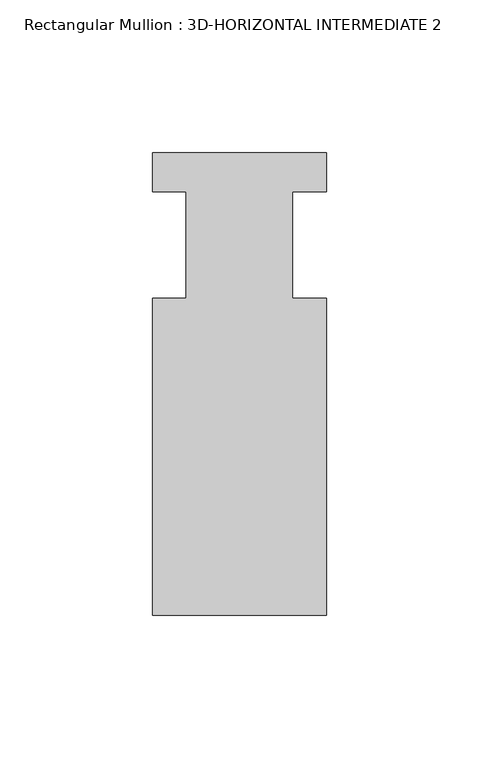
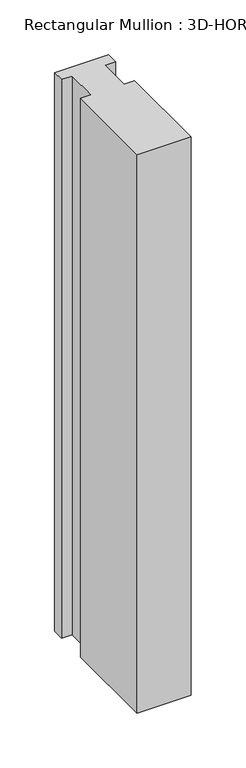
"""IFC4 building model written with IfcOpenShell, lengths in millimetres: member geometry, Rectangular Mullion : 3D-HORIZONTAL INTERMEDIATE 2."""

import ifcopenshell
import ifcopenshell.guid

model = None  # the IFC model being written
_history = None  # IfcOwnerHistory: only IFC2X3 demands one
_inside = {}  # id of a spatial element -> (the spatial element, [elements in it])
_under = {}  # id of a project, library or spatial element -> (it, [spatial elements below it])
_declared = {}  # id of a project -> (the project, [libraries it declares])
_typed = {}  # id of a type object -> (the type object, [elements of that type])
_made_of = {}  # id of a material, layer set ... -> (it, [elements and type objects made of it])


def new_model(schema):
    """Start an empty IFC model of exactly this schema.

    Asked for "IFC4X3", IfcOpenShell would pick the latest addendum, in which some entities
    have other attributes; the version numbers below select the first issue.
    IFC2X3 requires an IfcOwnerHistory on every rooted entity: one is made here for all.
    """
    global model, _history
    if schema == "IFC4X3":
        model = ifcopenshell.file(schema_version=(4, 3, 0, 0))
    else:
        model = ifcopenshell.file(schema=schema)
    _inside.clear()
    _under.clear()
    _declared.clear()
    _typed.clear()
    _made_of.clear()
    _history = None
    if model.schema == "IFC2X3":
        org = make("IfcOrganization", Name="unknown")
        user = make(
            "IfcPersonAndOrganization",
            ThePerson=make("IfcPerson", FamilyName="unknown"),
            TheOrganization=org,
        )
        app = make(
            "IfcApplication",
            ApplicationDeveloper=org,
            Version="unknown",
            ApplicationFullName="unknown",
            ApplicationIdentifier="unknown",
        )
        _history = make(
            "IfcOwnerHistory",
            OwningUser=user,
            OwningApplication=app,
            ChangeAction="ADDED",
            CreationDate=0,
        )
    return model


def make(cls, **values):
    """One entity of the class cls with the attributes given. An attribute that is None is left unset."""
    return model.create_entity(
        cls, **{name: value for name, value in values.items() if value is not None}
    )


def rooted(cls, **values):
    """An entity with a GlobalId (a new one), such as an element, a storey or a relation."""
    return make(cls, GlobalId=ifcopenshell.guid.new(), OwnerHistory=_history, **values)


def si_unit(unit_type, name, prefix=None):
    """IfcSIUnit, for example si_unit("LENGTHUNIT", "METRE", prefix="MILLI")."""
    return make("IfcSIUnit", UnitType=unit_type, Prefix=prefix, Name=name)


def assignment(units):
    """IfcUnitAssignment: the units of a project."""
    return None if units is None else make("IfcUnitAssignment", Units=units)


def point(xyz):
    """IfcCartesianPoint."""
    return None if xyz is None else make("IfcCartesianPoint", Coordinates=xyz)


def direction(xyz):
    """IfcDirection."""
    return None if xyz is None else make("IfcDirection", DirectionRatios=xyz)


def frame(location, z_axis=None, x_axis=None):
    """IfcAxis2Placement3D, a coordinate frame: its origin and axes. An axis left out is left unset."""
    return make(
        "IfcAxis2Placement3D",
        Location=point(location),
        Axis=direction(z_axis),
        RefDirection=direction(x_axis),
    )


def origin():
    """The frame at (0, 0, 0) with its axes left unset."""
    return frame((0.0, 0.0, 0.0))


def place(relative_to, where):
    """IfcLocalPlacement: puts the frame where relative to a parent placement (None: the world)."""
    return make(
        "IfcLocalPlacement", PlacementRelTo=relative_to, RelativePlacement=where
    )


def context(
    kind, dimensions, precision=None, world=None, true_north=None, identifier=None
):
    """IfcGeometricRepresentationContext, for example the 3D "Model" context."""
    return make(
        "IfcGeometricRepresentationContext",
        ContextIdentifier=identifier,
        ContextType=kind,
        CoordinateSpaceDimension=dimensions,
        Precision=precision,
        WorldCoordinateSystem=world,
        TrueNorth=true_north,
    )


def project(units=None, contexts=None):
    """IfcProject with its units and contexts."""
    return rooted(
        "IfcProject",
        Name="project",
        RepresentationContexts=contexts,
        UnitsInContext=assignment(units),
    )


def spatial(cls, under=None, at=None, **own):
    """A site, building, storey or space (cls), placed at a placement, below another one or the project."""
    s = rooted(cls, ObjectPlacement=at, **own)
    if under is not None:
        _under.setdefault(under.id(), (under, []))[1].append(s)
    return s


def polyline(points):
    """IfcPolyline through the points."""
    return make("IfcPolyline", Points=[point(p) for p in points])


def outline(outer, holes=None, kind="AREA"):
    """IfcArbitraryClosedProfileDef: a profile drawn as a closed curve; with holes, ...WithVoids."""
    if holes is None:
        return make("IfcArbitraryClosedProfileDef", ProfileType=kind, OuterCurve=outer)
    return make(
        "IfcArbitraryProfileDefWithVoids",
        ProfileType=kind,
        OuterCurve=outer,
        InnerCurves=holes,
    )


def extrude(swept, where, along, depth):
    """IfcExtrudedAreaSolid: the profile swept, set in the frame where, extruded along a direction by depth."""
    return make(
        "IfcExtrudedAreaSolid",
        SweptArea=swept,
        Position=where,
        ExtrudedDirection=direction(along),
        Depth=depth,
    )


def shape(context_of_items, identifier, shape_type, items):
    """IfcShapeRepresentation: the items that make up one representation, for example the "Body"."""
    return make(
        "IfcShapeRepresentation",
        ContextOfItems=context_of_items,
        RepresentationIdentifier=identifier,
        RepresentationType=shape_type,
        Items=items,
    )


def source(mapping_origin, context_of_items, identifier, shape_type, items):
    """IfcRepresentationMap: a shape defined once, which mapped items show again and again."""
    return make(
        "IfcRepresentationMap",
        MappingOrigin=mapping_origin,
        MappedRepresentation=shape(context_of_items, identifier, shape_type, items),
    )


def transform(
    local_origin,
    x_axis=None,
    y_axis=None,
    z_axis=None,
    scale=None,
    scale2=None,
    scale3=None,
    uniform=True,
):
    """IfcCartesianTransformationOperator3D, or its non-uniform kind. x_axis, y_axis, z_axis: its Axis1, 2, 3."""
    if uniform:
        return make(
            "IfcCartesianTransformationOperator3D",
            Axis1=direction(x_axis),
            Axis2=direction(y_axis),
            LocalOrigin=point(local_origin),
            Scale=scale,
            Axis3=direction(z_axis),
        )
    return make(
        "IfcCartesianTransformationOperator3DnonUniform",
        Axis1=direction(x_axis),
        Axis2=direction(y_axis),
        LocalOrigin=point(local_origin),
        Scale=scale,
        Axis3=direction(z_axis),
        Scale2=scale2,
        Scale3=scale3,
    )


def mapped(mapping_source, mapping_target):
    """IfcMappedItem: shows the shape of a source again, moved by a transform."""
    return make(
        "IfcMappedItem", MappingSource=mapping_source, MappingTarget=mapping_target
    )


def made_of(thing, what):
    """Note that an element or type object is made of a material, layer set ...; save() writes the relation."""
    if what is not None:
        _made_of.setdefault(what.id(), (what, []))[1].append(thing)
    return thing


def element(
    cls,
    number,
    at=None,
    inside=None,
    cuts=None,
    type_object=None,
    material=None,
    context=None,
    identifier="Body",
    shape_type=None,
    held_by="IfcProductDefinitionShape",
    body=None,
    shapes=None,
    **own,
):
    """One element of the class cls, such as IfcWall. Its Tag is "e" and its number.

    at: its placement. inside: the storey or other place that contains it. cuts: it is an
    opening in that element (IfcRelVoidsElement). A single representation is given by context,
    identifier, shape_type and body (its items); several are given by shapes. held_by: the class
    of the entity that holds the representations. save() writes the other relations.
    """
    e = rooted(cls, Tag="e%d" % number, ObjectPlacement=at, **own)
    if body is not None:
        shapes = [shape(context, identifier, shape_type, body)]
    if shapes is not None:
        e.Representation = make(held_by, Representations=shapes)
    if inside is not None:
        _inside.setdefault(inside.id(), (inside, []))[1].append(e)
    if cuts is not None:
        rooted(
            "IfcRelVoidsElement", RelatingBuildingElement=cuts, RelatedOpeningElement=e
        )
    if type_object is not None:
        _typed.setdefault(type_object.id(), (type_object, []))[1].append(e)
    return made_of(e, material)


def aggregate(whole, parts):
    """IfcRelAggregates: a whole, such as a stair, and the parts it consists of."""
    return rooted("IfcRelAggregates", RelatingObject=whole, RelatedObjects=parts)


def save(model, path):
    """Write the relations noted so far, then the file.

    IfcRelAggregates (storeys below a building ...), IfcRelContainedInSpatialStructure (elements
    in a storey), IfcRelDefinesByType, IfcRelAssociatesMaterial and IfcRelDeclares: one each for
    every whole, place, type object, material and project.
    """
    for whole, parts in _under.values():
        aggregate(whole, parts)
    for where, things in _inside.values():
        rooted(
            "IfcRelContainedInSpatialStructure",
            RelatedElements=things,
            RelatingStructure=where,
        )
    for kind, things in _typed.values():
        rooted("IfcRelDefinesByType", RelatedObjects=things, RelatingType=kind)
    for what, things in _made_of.values():
        rooted("IfcRelAssociatesMaterial", RelatedObjects=things, RelatingMaterial=what)
    for by, libraries in _declared.values():
        rooted("IfcRelDeclares", RelatingContext=by, RelatedDefinitions=libraries)
    model.write(path)


def rectangular_mullion_3d_horizontal_intermediate_2_e48f66bf(model_context):
    return source(origin(), model_context, "Body", "SweptSolid", [
        extrude(outline(polyline([(28.575, 75.8444), (28.575, 62.9771117), (17.4625, 62.9771117), (17.4625, 28.0162), (28.575, 28.0162), (28.575, -75.8444), (-28.575, -75.8444), (-28.575, 28.0162), (-17.4625, 28.0162), (-17.4625, 62.9771117), (-28.575, 62.9771117), (-28.575, 75.8444), (28.575, 75.8444)])), frame((0.0, 0.0, -624.3595982), z_axis=(0.0, 0.0, 1.0), x_axis=(1.0, 0.0, 0.0)), (0.0, 0.0, 1.0), 624.3595982),
    ])


if __name__ == "__main__":
    model = new_model("IFC4")
    model_context = context("Model", 3, world=origin())
    ifc_project = project(units=[si_unit("LENGTHUNIT", "METRE", prefix="MILLI")], contexts=[model_context])
    site = spatial("IfcSite", under=ifc_project)
    building = spatial("IfcBuilding", under=site)
    placement = place(None, origin())
    rectangular_mullion_3d_horizontal_intermediate_2_shape = rectangular_mullion_3d_horizontal_intermediate_2_e48f66bf(model_context)
    element("IfcMember", 1, ObjectType="Rectangular Mullion : 3D-HORIZONTAL INTERMEDIATE 2", at=placement, inside=building, context=model_context, shape_type="MappedRepresentation", body=[
        mapped(rectangular_mullion_3d_horizontal_intermediate_2_shape, transform((0.0, 0.0, 0.0), x_axis=(1.0, 0.0, 0.0), y_axis=(0.0, 1.0, 0.0), z_axis=(0.0, 0.0, 1.0))),
    ])
    save(model, "model.ifc")
